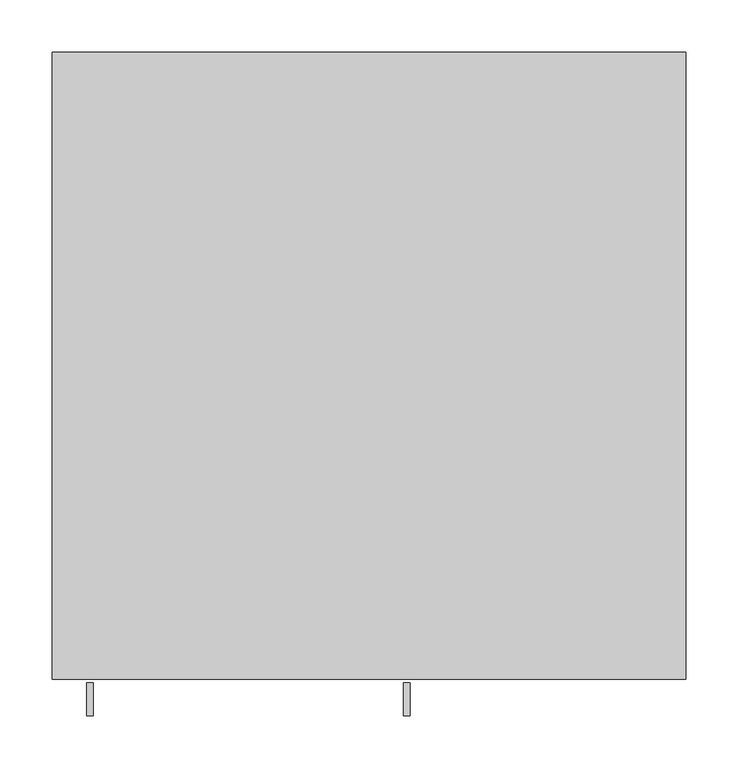
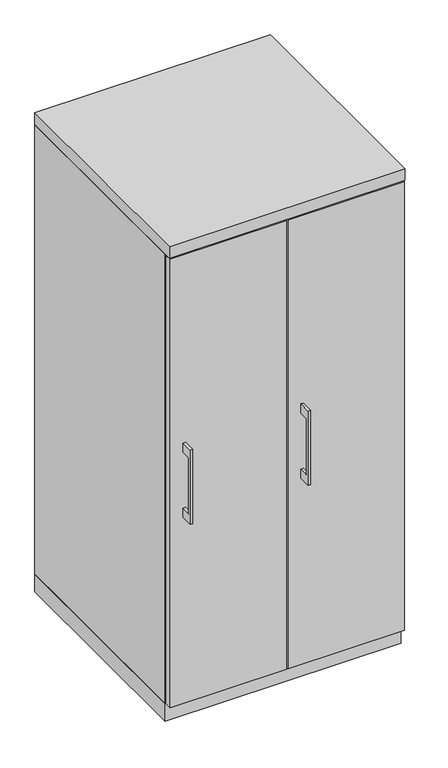
"""IFC4 building model written with IfcOpenShell, lengths in millimetres: furniture geometry."""

from ifc_helpers import new_model, si_unit, frame, origin, origin_with_axes, place, context, project, spatial, polyline, outline, extrude, source, transform, mapped, element, save


def furniture_684fa17d(model_context):
    return source(origin(), model_context, "Body", "SweptSolid", [
        extrude(outline(polyline([(-606.425, 736.6), (-631.8249758, 736.6), (-631.8249758, 584.2), (-606.425, 584.2), (-606.425, 558.8), (-638.1749879, 558.8), (-638.1749879, 762.0), (-606.425, 762.0), (-606.425, 736.6)])), frame((-271.4624879, 0.0, 0.0), z_axis=(1.0, 0.0, 0.0), x_axis=(0.0, 1.0, 0.0)), (0.0, 0.0, 1.0), 6.3499758),
        extrude(outline(polyline([(-303.2125, -603.25), (-303.2125, -584.2), (-1.5875, -584.2), (-1.5875, -603.25), (-303.2125, -603.25)])), frame((0.0, 0.0, 47.625), z_axis=(0.0, 0.0, 1.0), x_axis=(1.0, 0.0, 0.0)), (0.0, 0.0, 1.0), 1225.55),
        extrude(outline(polyline([(-606.425, 736.6), (-631.8249758, 736.6), (-631.8249758, 584.2), (-606.425, 584.2), (-606.425, 558.8), (-638.1749879, 558.8), (-638.1749879, 762.0), (-606.425, 762.0), (-606.425, 736.6)])), frame((33.3375121, 0.0, 0.0), z_axis=(1.0, 0.0, 0.0), x_axis=(0.0, 1.0, 0.0)), (0.0, 0.0, 1.0), 6.3499758),
        extrude(outline(polyline([(1.5875, -603.25), (1.5875, -584.2), (303.2125, -584.2), (303.2125, -603.25), (1.5875, -603.25)])), frame((0.0, 0.0, 47.625), z_axis=(0.0, 0.0, 1.0), x_axis=(1.0, 0.0, 0.0)), (0.0, 0.0, 1.0), 1225.55),
        extrude(outline(polyline([(304.8, 0.0), (304.8, -584.2), (-304.8, -584.2), (-304.8, 0.0), (304.8, 0.0)])), origin_with_axes(), (0.0, 0.0, 1.0), 47.625),
        extrude(outline(polyline([(304.8, 0.0), (304.8, -603.25), (-304.8, -603.25), (-304.8, 0.0), (304.8, 0.0)])), frame((0.0, 0.0, 1276.35), z_axis=(0.0, 0.0, 1.0), x_axis=(1.0, 0.0, 0.0)), (0.0, 0.0, 1.0), 31.75),
        extrude(outline(polyline([(304.8, 0.0), (304.8, -584.2), (285.75, -584.2), (285.75, -19.05), (9.525, -19.05), (9.525, -584.2), (-9.525, -584.2), (-9.525, -19.05), (-285.75, -19.05), (-285.75, -584.2), (-304.8, -584.2), (-304.8, 0.0), (304.8, 0.0)])), frame((0.0, 0.0, 47.625), z_axis=(0.0, 0.0, 1.0), x_axis=(1.0, 0.0, 0.0)), (0.0, 0.0, 1.0), 1228.725),
    ])


if __name__ == "__main__":
    model = new_model("IFC4")
    model_context = context("Model", 3, world=origin())
    ifc_project = project(units=[si_unit("LENGTHUNIT", "METRE", prefix="MILLI")], contexts=[model_context])
    site = spatial("IfcSite", under=ifc_project)
    building = spatial("IfcBuilding", under=site)
    placement = place(None, origin())
    furniture_shape = furniture_684fa17d(model_context)
    element("IfcFurniture", 1, at=placement, inside=building, context=model_context, shape_type="MappedRepresentation", body=[
        mapped(furniture_shape, transform((0.0, 0.0, 0.0), x_axis=(1.0, 0.0, 0.0), y_axis=(0.0, 1.0, 0.0), z_axis=(0.0, 0.0, 1.0))),
    ])
    save(model, "model.ifc")
